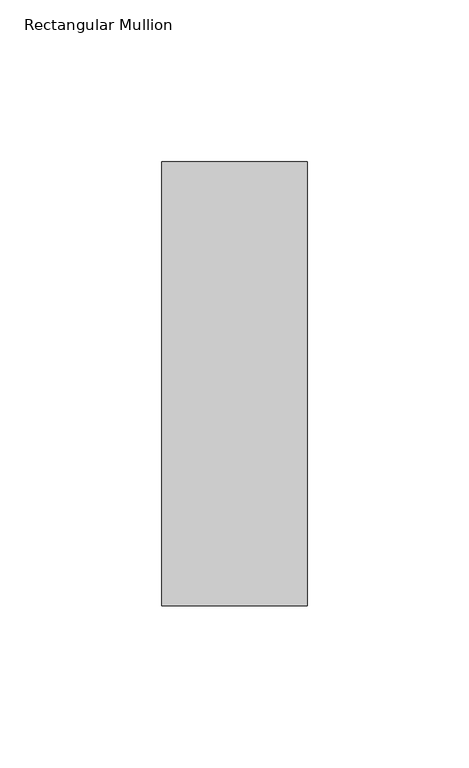
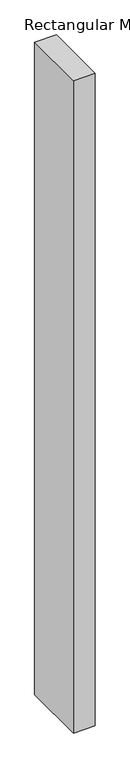
"""IFC4 building model written with IfcOpenShell, lengths in millimetres: member geometry, Rectangular Mullion."""

from ifc_helpers import new_model, si_unit, frame, origin, place, context, project, spatial, polyline, outline, extrude, source, transform, mapped, element, save


def rectangular_mullion_63cd106b(model_context):
    return source(origin(), model_context, "Body", "SweptSolid", [
        extrude(outline(polyline([(0.0, 84.19375), (0.0, -53.19375), (-45.0, -53.19375), (-45.0, 84.19375), (0.0, 84.19375)])), frame((0.0, 0.0, -1416.5642788), z_axis=(0.0, 0.0, 1.0), x_axis=(1.0, 0.0, 0.0)), (0.0, 0.0, 1.0), 1416.5642788),
    ])


if __name__ == "__main__":
    model = new_model("IFC4")
    model_context = context("Model", 3, world=origin())
    ifc_project = project(units=[si_unit("LENGTHUNIT", "METRE", prefix="MILLI")], contexts=[model_context])
    site = spatial("IfcSite", under=ifc_project)
    building = spatial("IfcBuilding", under=site)
    placement = place(None, origin())
    rectangular_mullion_shape = rectangular_mullion_63cd106b(model_context)
    element("IfcMember", 1, ObjectType="Rectangular Mullion", at=placement, inside=building, context=model_context, shape_type="MappedRepresentation", body=[
        mapped(rectangular_mullion_shape, transform((0.0, 0.0, 0.0), x_axis=(1.0, 0.0, 0.0), y_axis=(0.0, 1.0, 0.0), z_axis=(0.0, 0.0, 1.0))),
    ])
    save(model, "model.ifc")
